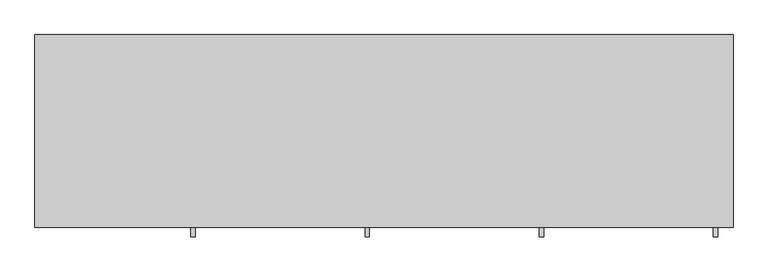
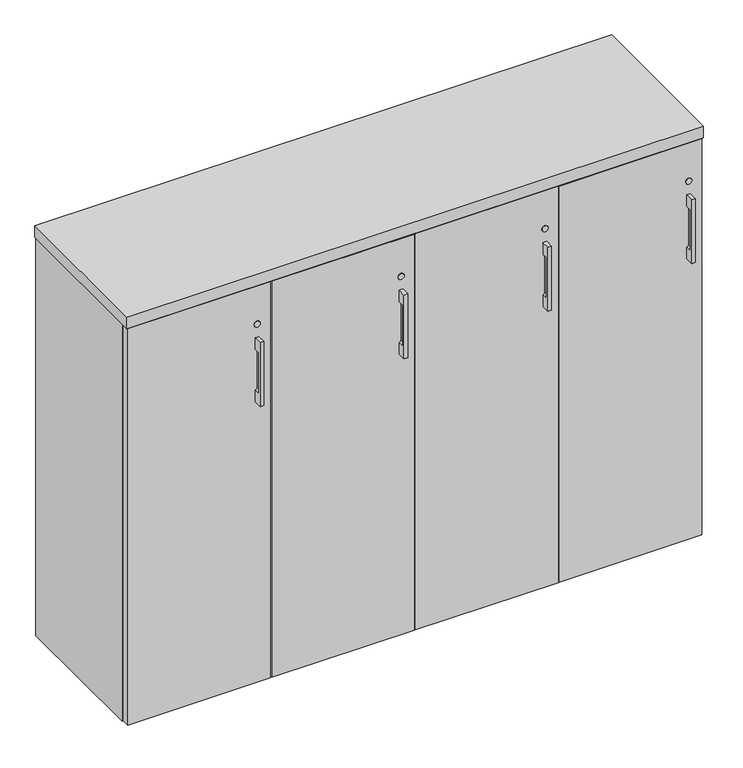
"""IFC4 building model written with IfcOpenShell, lengths in millimetres: furniture geometry."""

import ifcopenshell
import ifcopenshell.guid

model = None  # the IFC model being written
_history = None  # IfcOwnerHistory: only IFC2X3 demands one
_inside = {}  # id of a spatial element -> (the spatial element, [elements in it])
_under = {}  # id of a project, library or spatial element -> (it, [spatial elements below it])
_declared = {}  # id of a project -> (the project, [libraries it declares])
_typed = {}  # id of a type object -> (the type object, [elements of that type])
_made_of = {}  # id of a material, layer set ... -> (it, [elements and type objects made of it])


def new_model(schema):
    """Start an empty IFC model of exactly this schema.

    Asked for "IFC4X3", IfcOpenShell would pick the latest addendum, in which some entities
    have other attributes; the version numbers below select the first issue.
    IFC2X3 requires an IfcOwnerHistory on every rooted entity: one is made here for all.
    """
    global model, _history
    if schema == "IFC4X3":
        model = ifcopenshell.file(schema_version=(4, 3, 0, 0))
    else:
        model = ifcopenshell.file(schema=schema)
    _inside.clear()
    _under.clear()
    _declared.clear()
    _typed.clear()
    _made_of.clear()
    _history = None
    if model.schema == "IFC2X3":
        org = make("IfcOrganization", Name="unknown")
        user = make(
            "IfcPersonAndOrganization",
            ThePerson=make("IfcPerson", FamilyName="unknown"),
            TheOrganization=org,
        )
        app = make(
            "IfcApplication",
            ApplicationDeveloper=org,
            Version="unknown",
            ApplicationFullName="unknown",
            ApplicationIdentifier="unknown",
        )
        _history = make(
            "IfcOwnerHistory",
            OwningUser=user,
            OwningApplication=app,
            ChangeAction="ADDED",
            CreationDate=0,
        )
    return model


def make(cls, **values):
    """One entity of the class cls with the attributes given. An attribute that is None is left unset."""
    return model.create_entity(
        cls, **{name: value for name, value in values.items() if value is not None}
    )


def rooted(cls, **values):
    """An entity with a GlobalId (a new one), such as an element, a storey or a relation."""
    return make(cls, GlobalId=ifcopenshell.guid.new(), OwnerHistory=_history, **values)


def si_unit(unit_type, name, prefix=None):
    """IfcSIUnit, for example si_unit("LENGTHUNIT", "METRE", prefix="MILLI")."""
    return make("IfcSIUnit", UnitType=unit_type, Prefix=prefix, Name=name)


def assignment(units):
    """IfcUnitAssignment: the units of a project."""
    return None if units is None else make("IfcUnitAssignment", Units=units)


def point(xyz):
    """IfcCartesianPoint."""
    return None if xyz is None else make("IfcCartesianPoint", Coordinates=xyz)


def direction(xyz):
    """IfcDirection."""
    return None if xyz is None else make("IfcDirection", DirectionRatios=xyz)


def frame(location, z_axis=None, x_axis=None):
    """IfcAxis2Placement3D, a coordinate frame: its origin and axes. An axis left out is left unset."""
    return make(
        "IfcAxis2Placement3D",
        Location=point(location),
        Axis=direction(z_axis),
        RefDirection=direction(x_axis),
    )


def frame_2d(location, x_axis=None):
    """IfcAxis2Placement2D, a coordinate frame in the plane: its origin and x axis."""
    return make(
        "IfcAxis2Placement2D", Location=point(location), RefDirection=direction(x_axis)
    )


def origin():
    """The frame at (0, 0, 0) with its axes left unset."""
    return frame((0.0, 0.0, 0.0))


def origin_with_axes():
    """The frame at (0, 0, 0) with the z axis (0, 0, 1) and the x axis (1, 0, 0) written out."""
    return frame((0.0, 0.0, 0.0), z_axis=(0.0, 0.0, 1.0), x_axis=(1.0, 0.0, 0.0))


def place(relative_to, where):
    """IfcLocalPlacement: puts the frame where relative to a parent placement (None: the world)."""
    return make(
        "IfcLocalPlacement", PlacementRelTo=relative_to, RelativePlacement=where
    )


def context(
    kind, dimensions, precision=None, world=None, true_north=None, identifier=None
):
    """IfcGeometricRepresentationContext, for example the 3D "Model" context."""
    return make(
        "IfcGeometricRepresentationContext",
        ContextIdentifier=identifier,
        ContextType=kind,
        CoordinateSpaceDimension=dimensions,
        Precision=precision,
        WorldCoordinateSystem=world,
        TrueNorth=true_north,
    )


def project(units=None, contexts=None):
    """IfcProject with its units and contexts."""
    return rooted(
        "IfcProject",
        Name="project",
        RepresentationContexts=contexts,
        UnitsInContext=assignment(units),
    )


def spatial(cls, under=None, at=None, **own):
    """A site, building, storey or space (cls), placed at a placement, below another one or the project."""
    s = rooted(cls, ObjectPlacement=at, **own)
    if under is not None:
        _under.setdefault(under.id(), (under, []))[1].append(s)
    return s


def polyline(points):
    """IfcPolyline through the points."""
    return make("IfcPolyline", Points=[point(p) for p in points])


def circle_curve(where, radius):
    """IfcCircle in the frame where."""
    return make("IfcCircle", Position=where, Radius=radius)


def trimmed(basis, trim1, trim2, sense, master):
    """IfcTrimmedCurve: the piece of a basis curve between two trims."""
    return make(
        "IfcTrimmedCurve",
        BasisCurve=basis,
        Trim1=trim1,
        Trim2=trim2,
        SenseAgreement=sense,
        MasterRepresentation=master,
    )


def segment(curve, same_sense, transition):
    """IfcCompositeCurveSegment."""
    return make(
        "IfcCompositeCurveSegment",
        Transition=transition,
        SameSense=same_sense,
        ParentCurve=curve,
    )


def composite_curve(segments, self_intersect=None):
    """IfcCompositeCurve: segments joined end to end."""
    return make("IfcCompositeCurve", Segments=segments, SelfIntersect=self_intersect)


def outline(outer, holes=None, kind="AREA"):
    """IfcArbitraryClosedProfileDef: a profile drawn as a closed curve; with holes, ...WithVoids."""
    if holes is None:
        return make("IfcArbitraryClosedProfileDef", ProfileType=kind, OuterCurve=outer)
    return make(
        "IfcArbitraryProfileDefWithVoids",
        ProfileType=kind,
        OuterCurve=outer,
        InnerCurves=holes,
    )


def extrude(swept, where, along, depth):
    """IfcExtrudedAreaSolid: the profile swept, set in the frame where, extruded along a direction by depth."""
    return make(
        "IfcExtrudedAreaSolid",
        SweptArea=swept,
        Position=where,
        ExtrudedDirection=direction(along),
        Depth=depth,
    )


def shape(context_of_items, identifier, shape_type, items):
    """IfcShapeRepresentation: the items that make up one representation, for example the "Body"."""
    return make(
        "IfcShapeRepresentation",
        ContextOfItems=context_of_items,
        RepresentationIdentifier=identifier,
        RepresentationType=shape_type,
        Items=items,
    )


def source(mapping_origin, context_of_items, identifier, shape_type, items):
    """IfcRepresentationMap: a shape defined once, which mapped items show again and again."""
    return make(
        "IfcRepresentationMap",
        MappingOrigin=mapping_origin,
        MappedRepresentation=shape(context_of_items, identifier, shape_type, items),
    )


def transform(
    local_origin,
    x_axis=None,
    y_axis=None,
    z_axis=None,
    scale=None,
    scale2=None,
    scale3=None,
    uniform=True,
):
    """IfcCartesianTransformationOperator3D, or its non-uniform kind. x_axis, y_axis, z_axis: its Axis1, 2, 3."""
    if uniform:
        return make(
            "IfcCartesianTransformationOperator3D",
            Axis1=direction(x_axis),
            Axis2=direction(y_axis),
            LocalOrigin=point(local_origin),
            Scale=scale,
            Axis3=direction(z_axis),
        )
    return make(
        "IfcCartesianTransformationOperator3DnonUniform",
        Axis1=direction(x_axis),
        Axis2=direction(y_axis),
        LocalOrigin=point(local_origin),
        Scale=scale,
        Axis3=direction(z_axis),
        Scale2=scale2,
        Scale3=scale3,
    )


def mapped(mapping_source, mapping_target):
    """IfcMappedItem: shows the shape of a source again, moved by a transform."""
    return make(
        "IfcMappedItem", MappingSource=mapping_source, MappingTarget=mapping_target
    )


def made_of(thing, what):
    """Note that an element or type object is made of a material, layer set ...; save() writes the relation."""
    if what is not None:
        _made_of.setdefault(what.id(), (what, []))[1].append(thing)
    return thing


def element(
    cls,
    number,
    at=None,
    inside=None,
    cuts=None,
    type_object=None,
    material=None,
    context=None,
    identifier="Body",
    shape_type=None,
    held_by="IfcProductDefinitionShape",
    body=None,
    shapes=None,
    **own,
):
    """One element of the class cls, such as IfcWall. Its Tag is "e" and its number.

    at: its placement. inside: the storey or other place that contains it. cuts: it is an
    opening in that element (IfcRelVoidsElement). A single representation is given by context,
    identifier, shape_type and body (its items); several are given by shapes. held_by: the class
    of the entity that holds the representations. save() writes the other relations.
    """
    e = rooted(cls, Tag="e%d" % number, ObjectPlacement=at, **own)
    if body is not None:
        shapes = [shape(context, identifier, shape_type, body)]
    if shapes is not None:
        e.Representation = make(held_by, Representations=shapes)
    if inside is not None:
        _inside.setdefault(inside.id(), (inside, []))[1].append(e)
    if cuts is not None:
        rooted(
            "IfcRelVoidsElement", RelatingBuildingElement=cuts, RelatedOpeningElement=e
        )
    if type_object is not None:
        _typed.setdefault(type_object.id(), (type_object, []))[1].append(e)
    return made_of(e, material)


def aggregate(whole, parts):
    """IfcRelAggregates: a whole, such as a stair, and the parts it consists of."""
    return rooted("IfcRelAggregates", RelatingObject=whole, RelatedObjects=parts)


def save(model, path):
    """Write the relations noted so far, then the file.

    IfcRelAggregates (storeys below a building ...), IfcRelContainedInSpatialStructure (elements
    in a storey), IfcRelDefinesByType, IfcRelAssociatesMaterial and IfcRelDeclares: one each for
    every whole, place, type object, material and project.
    """
    for whole, parts in _under.values():
        aggregate(whole, parts)
    for where, things in _inside.values():
        rooted(
            "IfcRelContainedInSpatialStructure",
            RelatedElements=things,
            RelatingStructure=where,
        )
    for kind, things in _typed.values():
        rooted("IfcRelDefinesByType", RelatedObjects=things, RelatingType=kind)
    for what, things in _made_of.values():
        rooted("IfcRelAssociatesMaterial", RelatedObjects=things, RelatingMaterial=what)
    for by, libraries in _declared.values():
        rooted("IfcRelDeclares", RelatingContext=by, RelatedDefinitions=libraries)
    model.write(path)


def plane_surface(at):
    """IfcPlane: the flat surface through the origin of the frame at, square to its z axis."""
    return make("IfcPlane", Position=at)


def revolved_surface(curve, axis_point, axis_direction):
    """IfcSurfaceOfRevolution: the curve turned about the line through axis_point along axis_direction."""
    return make(
        "IfcSurfaceOfRevolution",
        SweptCurve=make("IfcArbitraryOpenProfileDef", ProfileType="CURVE", Curve=curve),
        AxisPosition=make("IfcAxis1Placement", Location=point(axis_point), Axis=direction(axis_direction)),
    )


def advanced_brep(points, edges, surfaces, faces):
    """IfcAdvancedBrep: a solid bounded by faces that lie on surfaces and meet in shared edges.

    An edge is (start, end): straight between two places in points (the first is 0);
    or (start, end, curve); or (start, end, curve, False) where it runs against its curve.
    A face is (place in surfaces, loops), or (place, loops, False) where it looks against
    its surface's normal. A loop lists edges by number (the first is 1), with a minus sign
    where the edge is run from its end to its start. The first loop is the outer one.
    """
    corners = [point(p) for p in points]
    vertices = [make("IfcVertexPoint", VertexGeometry=c) for c in corners]
    made = []
    for start, end, *more in edges:
        made.append(
            make(
                "IfcEdgeCurve",
                EdgeStart=vertices[start],
                EdgeEnd=vertices[end],
                EdgeGeometry=more[0] if more else make("IfcPolyline", Points=[corners[start], corners[end]]),
                SameSense=more[1] if len(more) > 1 else True,
            )
        )
    hull = []
    for where, loops, *sense in faces:
        bounds = []
        for j, loop in enumerate(loops):
            ring = [make("IfcOrientedEdge", EdgeElement=made[abs(k) - 1], Orientation=k > 0) for k in loop]
            bounds.append(
                make(
                    "IfcFaceOuterBound" if j == 0 else "IfcFaceBound",
                    Bound=make("IfcEdgeLoop", EdgeList=ring),
                    Orientation=True,
                )
            )
        hull.append(make("IfcAdvancedFace", Bounds=bounds, FaceSurface=surfaces[where], SameSense=sense[0] if sense else True))
    return make("IfcAdvancedBrep", Outer=make("IfcClosedShell", CfsFaces=hull))


def furniture_df4e4546(model_context):
    return source(origin(), model_context, "Body", "SolidModel", [
        advanced_brep(
        [(338.9312421, -447.8115021, 967.7908), (338.9312421, -447.8115021, 789.9908), (348.4562421, -447.8115021, 789.9908), (348.4562421, -447.8115021, 967.7908), (338.9312421, -425.5865021, 967.7908), (348.4562421, -425.5865021, 967.7908), (348.4562421, -425.5865021, 789.9908), (338.9312421, -425.5865021, 789.9908), (338.9312421, -425.5865021, 821.9424389), (343.6937421, -425.5865021, 828.0908), (343.6937421, -425.5865021, 929.6908), (338.9312421, -425.5865021, 935.8391611), (338.9312421, -441.523499, 935.8391611), (338.9312421, -441.523499, 821.9424389), (343.6937421, -441.523499, 929.6908), (343.6937421, -441.523499, 828.0908)],
        [
            (0, 1),
            (1, 2),
            (2, 3),
            (3, 0),
            (4, 5),
            (5, 6),
            (6, 7),
            (7, 8),
            (8, 9, circle_curve(frame((337.3437421, -425.5865021, 828.0908), z_axis=(0.0, -1.0, 0.0), x_axis=(1.0, 0.0, 0.0)), 6.35)),
            (9, 10),
            (10, 11, circle_curve(frame((337.3437421, -425.5865021, 929.6908), z_axis=(0.0, -1.0, 0.0), x_axis=(1.0, 0.0, 0.0)), 6.35)),
            (11, 4),
            (0, 4),
            (11, 12),
            (12, 13),
            (13, 8),
            (7, 1),
            (6, 2),
            (5, 3),
            (14, 15),
            (15, 13, circle_curve(frame((337.3437421, -441.523499, 828.0908), z_axis=(0.0, 1.0, 0.0), x_axis=(1.0, 0.0, 0.0)), 6.35)),
            (12, 14, circle_curve(frame((337.3437421, -441.523499, 929.6908), z_axis=(0.0, 1.0, 0.0), x_axis=(1.0, 0.0, 0.0)), 6.35)),
            (14, 10),
            (9, 15),
        ],
        [
            plane_surface(frame((338.9312421, -447.8115021, 789.9908), z_axis=(0.0, -1.0, 0.0), x_axis=(0.0, 0.0, -1.0))),
            plane_surface(frame((338.9312421, -425.5865021, 789.9908), z_axis=(0.0, 1.0, 0.0), x_axis=(0.0, 0.0, 1.0))),
            plane_surface(frame((338.9312421, -447.8115021, 967.7908), z_axis=(-1.0, 0.0, 0.0), x_axis=(0.0, 1.0, 0.0))),
            plane_surface(frame((338.9312421, -447.8115021, 789.9908), z_axis=(0.0, 0.0, -1.0), x_axis=(0.0, 1.0, 0.0))),
            plane_surface(frame((348.4562421, -447.8115021, 789.9908), z_axis=(1.0, 0.0, 0.0), x_axis=(0.0, 1.0, 0.0))),
            plane_surface(frame((348.4562421, -447.8115021, 967.7908), z_axis=(0.0, 0.0, 1.0), x_axis=(0.0, 1.0, 0.0))),
            plane_surface(frame((324.6437421, -441.523499, 936.0408), z_axis=(0.0, 1.0, 0.0), x_axis=(-1.0, 0.0, 0.0))),
            plane_surface(frame((343.6937421, -441.523499, 828.0908), z_axis=(-1.0, 0.0, 0.0), x_axis=(0.0, 1.0, 0.0))),
            revolved_surface(polyline([(343.6937421, -441.523499, 828.0908), (343.6937421, -425.5865021, 828.0908)]), (337.3437421, -425.5865021, 828.0908), (0.0, -1.0, 0.0)),
            revolved_surface(polyline([(343.6937421, -441.523499, 929.6908), (343.6937421, -425.5865021, 929.6908)]), (337.3437421, -425.5865021, 929.6908), (0.0, -1.0, 0.0)),
        ],
        [
            (0, [[1, 2, 3, 4]]),
            (1, [[5, 6, 7, 8, 9, 10, 11, 12]]),
            (2, [[-1, 13, -12, 14, 15, 16, -8, 17]]),
            (3, [[-2, -17, -7, 18]]),
            (4, [[-3, -18, -6, 19]]),
            (5, [[-4, -19, -5, -13]]),
            (6, [[20, 21, -15, 22]]),
            (7, [[-20, 23, -10, 24]]),
            (8, [[-24, -9, -16, -21]]),
            (9, [[-23, -22, -14, -11]]),
        ],
    ),
        advanced_brep(
        [(1474.7875158, -447.8115021, 967.7908), (1474.7875158, -447.8115021, 789.9908), (1484.3125158, -447.8115021, 789.9908), (1484.3125158, -447.8115021, 967.7908), (1474.7875158, -425.5865021, 967.7908), (1484.3125158, -425.5865021, 967.7908), (1484.3125158, -425.5865021, 789.9908), (1474.7875158, -425.5865021, 789.9908), (1474.7875158, -425.5865021, 821.9424389), (1479.5500158, -425.5865021, 828.0908), (1479.5500158, -425.5865021, 929.6908), (1474.7875158, -425.5865021, 935.8391611), (1474.7875158, -441.523499, 935.8391611), (1474.7875158, -441.523499, 821.9424389), (1479.5500158, -441.523499, 929.6908), (1479.5500158, -441.523499, 828.0908)],
        [
            (0, 1),
            (1, 2),
            (2, 3),
            (3, 0),
            (4, 5),
            (5, 6),
            (6, 7),
            (7, 8),
            (8, 9, circle_curve(frame((1473.2000158, -425.5865021, 828.0908), z_axis=(0.0, -1.0, 0.0), x_axis=(1.0, 0.0, 0.0)), 6.35)),
            (9, 10),
            (10, 11, circle_curve(frame((1473.2000158, -425.5865021, 929.6908), z_axis=(0.0, -1.0, 0.0), x_axis=(1.0, 0.0, 0.0)), 6.35)),
            (11, 4),
            (0, 4),
            (11, 12),
            (12, 13),
            (13, 8),
            (7, 1),
            (6, 2),
            (5, 3),
            (14, 15),
            (15, 13, circle_curve(frame((1473.2000158, -441.523499, 828.0908), z_axis=(0.0, 1.0, 0.0), x_axis=(1.0, 0.0, 0.0)), 6.35)),
            (12, 14, circle_curve(frame((1473.2000158, -441.523499, 929.6908), z_axis=(0.0, 1.0, 0.0), x_axis=(1.0, 0.0, 0.0)), 6.35)),
            (14, 10),
            (9, 15),
        ],
        [
            plane_surface(frame((1474.7875158, -447.8115021, 789.9908), z_axis=(0.0, -1.0, 0.0), x_axis=(0.0, 0.0, -1.0))),
            plane_surface(frame((1474.7875158, -425.5865021, 789.9908), z_axis=(0.0, 1.0, 0.0), x_axis=(0.0, 0.0, 1.0))),
            plane_surface(frame((1474.7875158, -447.8115021, 967.7908), z_axis=(-1.0, 0.0, 0.0), x_axis=(0.0, 1.0, 0.0))),
            plane_surface(frame((1474.7875158, -447.8115021, 789.9908), z_axis=(0.0, 0.0, -1.0), x_axis=(0.0, 1.0, 0.0))),
            plane_surface(frame((1484.3125158, -447.8115021, 789.9908), z_axis=(1.0, 0.0, 0.0), x_axis=(0.0, 1.0, 0.0))),
            plane_surface(frame((1484.3125158, -447.8115021, 967.7908), z_axis=(0.0, 0.0, 1.0), x_axis=(0.0, 1.0, 0.0))),
            plane_surface(frame((1460.5000158, -441.523499, 936.0408), z_axis=(0.0, 1.0, 0.0), x_axis=(-1.0, 0.0, 0.0))),
            plane_surface(frame((1479.5500158, -441.523499, 828.0908), z_axis=(-1.0, 0.0, 0.0), x_axis=(0.0, 1.0, 0.0))),
            revolved_surface(polyline([(1479.5500158, -441.523499, 828.0908), (1479.5500158, -425.5865021, 828.0908)]), (1473.2000158, -425.5865021, 828.0908), (0.0, -1.0, 0.0)),
            revolved_surface(polyline([(1479.5500158, -441.523499, 929.6908), (1479.5500158, -425.5865021, 929.6908)]), (1473.2000158, -425.5865021, 929.6908), (0.0, -1.0, 0.0)),
        ],
        [
            (0, [[1, 2, 3, 4]]),
            (1, [[5, 6, 7, 8, 9, 10, 11, 12]]),
            (2, [[-1, 13, -12, 14, 15, 16, -8, 17]]),
            (3, [[-2, -17, -7, 18]]),
            (4, [[-3, -18, -6, 19]]),
            (5, [[-4, -19, -5, -13]]),
            (6, [[20, 21, -15, 22]]),
            (7, [[-20, 23, -10, 24]]),
            (8, [[-24, -9, -16, -21]]),
            (9, [[-23, -22, -14, -11]]),
        ],
    ),
        advanced_brep(
        [(1096.1687579, -447.8115021, 967.7908), (1096.1687579, -447.8115021, 789.9908), (1105.6937579, -447.8115021, 789.9908), (1105.6937579, -447.8115021, 967.7908), (1096.1687579, -425.5865021, 967.7908), (1105.6937579, -425.5865021, 967.7908), (1105.6937579, -425.5865021, 789.9908), (1096.1687579, -425.5865021, 789.9908), (1096.1687579, -425.5865021, 821.9424389), (1100.9312579, -425.5865021, 828.0908), (1100.9312579, -425.5865021, 929.6908), (1096.1687579, -425.5865021, 935.8391611), (1096.1687579, -441.523499, 935.8391611), (1096.1687579, -441.523499, 821.9424389), (1100.9312579, -441.523499, 929.6908), (1100.9312579, -441.523499, 828.0908)],
        [
            (0, 1),
            (1, 2),
            (2, 3),
            (3, 0),
            (4, 5),
            (5, 6),
            (6, 7),
            (7, 8),
            (8, 9, circle_curve(frame((1094.5812579, -425.5865021, 828.0908), z_axis=(0.0, -1.0, 0.0), x_axis=(1.0, 0.0, 0.0)), 6.35)),
            (9, 10),
            (10, 11, circle_curve(frame((1094.5812579, -425.5865021, 929.6908), z_axis=(0.0, -1.0, 0.0), x_axis=(1.0, 0.0, 0.0)), 6.35)),
            (11, 4),
            (0, 4),
            (11, 12),
            (12, 13),
            (13, 8),
            (7, 1),
            (6, 2),
            (5, 3),
            (14, 15),
            (15, 13, circle_curve(frame((1094.5812579, -441.523499, 828.0908), z_axis=(0.0, 1.0, 0.0), x_axis=(1.0, 0.0, 0.0)), 6.35)),
            (12, 14, circle_curve(frame((1094.5812579, -441.523499, 929.6908), z_axis=(0.0, 1.0, 0.0), x_axis=(1.0, 0.0, 0.0)), 6.35)),
            (14, 10),
            (9, 15),
        ],
        [
            plane_surface(frame((1096.1687579, -447.8115021, 789.9908), z_axis=(0.0, -1.0, 0.0), x_axis=(0.0, 0.0, -1.0))),
            plane_surface(frame((1096.1687579, -425.5865021, 789.9908), z_axis=(0.0, 1.0, 0.0), x_axis=(0.0, 0.0, 1.0))),
            plane_surface(frame((1096.1687579, -447.8115021, 967.7908), z_axis=(-1.0, 0.0, 0.0), x_axis=(0.0, 1.0, 0.0))),
            plane_surface(frame((1096.1687579, -447.8115021, 789.9908), z_axis=(0.0, 0.0, -1.0), x_axis=(0.0, 1.0, 0.0))),
            plane_surface(frame((1105.6937579, -447.8115021, 789.9908), z_axis=(1.0, 0.0, 0.0), x_axis=(0.0, 1.0, 0.0))),
            plane_surface(frame((1105.6937579, -447.8115021, 967.7908), z_axis=(0.0, 0.0, 1.0), x_axis=(0.0, 1.0, 0.0))),
            plane_surface(frame((1081.8812579, -441.523499, 936.0408), z_axis=(0.0, 1.0, 0.0), x_axis=(-1.0, 0.0, 0.0))),
            plane_surface(frame((1100.9312579, -441.523499, 828.0908), z_axis=(-1.0, 0.0, 0.0), x_axis=(0.0, 1.0, 0.0))),
            revolved_surface(polyline([(1100.9312579, -441.523499, 828.0908), (1100.9312579, -425.5865021, 828.0908)]), (1094.5812579, -425.5865021, 828.0908), (0.0, -1.0, 0.0)),
            revolved_surface(polyline([(1100.9312579, -441.523499, 929.6908), (1100.9312579, -425.5865021, 929.6908)]), (1094.5812579, -425.5865021, 929.6908), (0.0, -1.0, 0.0)),
        ],
        [
            (0, [[1, 2, 3, 4]]),
            (1, [[5, 6, 7, 8, 9, 10, 11, 12]]),
            (2, [[-1, 13, -12, 14, 15, 16, -8, 17]]),
            (3, [[-2, -17, -7, 18]]),
            (4, [[-3, -18, -6, 19]]),
            (5, [[-4, -19, -5, -13]]),
            (6, [[20, 21, -15, 22]]),
            (7, [[-20, 23, -10, 24]]),
            (8, [[-24, -9, -16, -21]]),
            (9, [[-23, -22, -14, -11]]),
        ],
    ),
        advanced_brep(
        [(717.55, -447.8115021, 967.7908), (717.55, -447.8115021, 789.9908), (727.075, -447.8115021, 789.9908), (727.075, -447.8115021, 967.7908), (717.55, -425.5865021, 967.7908), (727.075, -425.5865021, 967.7908), (727.075, -425.5865021, 789.9908), (717.55, -425.5865021, 789.9908), (717.55, -425.5865021, 821.9424389), (722.3125, -425.5865021, 828.0908), (722.3125, -425.5865021, 929.6908), (717.55, -425.5865021, 935.8391611), (717.55, -441.523499, 935.8391611), (717.55, -441.523499, 821.9424389), (722.3125, -441.523499, 929.6908), (722.3125, -441.523499, 828.0908)],
        [
            (0, 1),
            (1, 2),
            (2, 3),
            (3, 0),
            (4, 5),
            (5, 6),
            (6, 7),
            (7, 8),
            (8, 9, circle_curve(frame((715.9625, -425.5865021, 828.0908), z_axis=(0.0, -1.0, 0.0), x_axis=(1.0, 0.0, 0.0)), 6.35)),
            (9, 10),
            (10, 11, circle_curve(frame((715.9625, -425.5865021, 929.6908), z_axis=(0.0, -1.0, 0.0), x_axis=(1.0, 0.0, 0.0)), 6.35)),
            (11, 4),
            (0, 4),
            (11, 12),
            (12, 13),
            (13, 8),
            (7, 1),
            (6, 2),
            (5, 3),
            (14, 15),
            (15, 13, circle_curve(frame((715.9625, -441.523499, 828.0908), z_axis=(0.0, 1.0, 0.0), x_axis=(1.0, 0.0, 0.0)), 6.35)),
            (12, 14, circle_curve(frame((715.9625, -441.523499, 929.6908), z_axis=(0.0, 1.0, 0.0), x_axis=(1.0, 0.0, 0.0)), 6.35)),
            (14, 10),
            (9, 15),
        ],
        [
            plane_surface(frame((717.55, -447.8115021, 789.9908), z_axis=(0.0, -1.0, 0.0), x_axis=(0.0, 0.0, -1.0))),
            plane_surface(frame((717.55, -425.5865021, 789.9908), z_axis=(0.0, 1.0, 0.0), x_axis=(0.0, 0.0, 1.0))),
            plane_surface(frame((717.55, -447.8115021, 967.7908), z_axis=(-1.0, 0.0, 0.0), x_axis=(0.0, 1.0, 0.0))),
            plane_surface(frame((717.55, -447.8115021, 789.9908), z_axis=(0.0, 0.0, -1.0), x_axis=(0.0, 1.0, 0.0))),
            plane_surface(frame((727.075, -447.8115021, 789.9908), z_axis=(1.0, 0.0, 0.0), x_axis=(0.0, 1.0, 0.0))),
            plane_surface(frame((727.075, -447.8115021, 967.7908), z_axis=(0.0, 0.0, 1.0), x_axis=(0.0, 1.0, 0.0))),
            plane_surface(frame((703.2625, -441.523499, 936.0408), z_axis=(0.0, 1.0, 0.0), x_axis=(-1.0, 0.0, 0.0))),
            plane_surface(frame((722.3125, -441.523499, 828.0908), z_axis=(-1.0, 0.0, 0.0), x_axis=(0.0, 1.0, 0.0))),
            revolved_surface(polyline([(722.3125, -441.523499, 828.0908), (722.3125, -425.5865021, 828.0908)]), (715.9625, -425.5865021, 828.0908), (0.0, -1.0, 0.0)),
            revolved_surface(polyline([(722.3125, -441.523499, 929.6908), (722.3125, -425.5865021, 929.6908)]), (715.9625, -425.5865021, 929.6908), (0.0, -1.0, 0.0)),
        ],
        [
            (0, [[1, 2, 3, 4]]),
            (1, [[5, 6, 7, 8, 9, 10, 11, 12]]),
            (2, [[-1, 13, -12, 14, 15, 16, -8, 17]]),
            (3, [[-2, -17, -7, 18]]),
            (4, [[-3, -18, -6, 19]]),
            (5, [[-4, -19, -5, -13]]),
            (6, [[20, 21, -15, 22]]),
            (7, [[-20, 23, -10, 24]]),
            (8, [[-24, -9, -16, -21]]),
            (9, [[-23, -22, -14, -11]]),
        ],
    ),
        extrude(outline(polyline([(1455.3192181, -345.6312472), (1471.2670759, -336.4237472), (1487.2149337, -345.6312472), (1487.2149337, -364.0462472), (1471.2670759, -373.2537472), (1455.3192181, -364.0462472), (1455.3192181, -345.6312472)])), origin_with_axes(), (0.0, 0.0, 1.0), 9.144),
        extrude(outline(polyline([(1455.3192181, -47.1181713), (1471.2670759, -37.9106713), (1487.2149337, -47.1181713), (1487.2149337, -65.5331713), (1471.2670759, -74.7406713), (1455.3192181, -65.5331713), (1455.3192181, -47.1181713)])), origin_with_axes(), (0.0, 0.0, 1.0), 9.144),
        extrude(outline(polyline([(30.4350663, -345.6312472), (46.3829241, -336.4237472), (62.3307819, -345.6312472), (62.3307819, -364.0462472), (46.3829241, -373.2537472), (30.4350663, -364.0462472), (30.4350663, -345.6312472)])), origin_with_axes(), (0.0, 0.0, 1.0), 9.144),
        extrude(outline(polyline([(30.4350663, -47.1181713), (46.3829241, -37.9106713), (62.3307819, -47.1181713), (62.3307819, -65.5331713), (46.3829241, -74.7406713), (30.4350663, -65.5331713), (30.4350663, -47.1181713)])), origin_with_axes(), (0.0, 0.0, 1.0), 9.144),
        extrude(outline(polyline([(739.5210079, -30.4938704), (758.8250079, -30.4938704), (758.8250079, -401.5835036), (739.5210079, -401.5835036), (739.5210079, -30.4938704)])), frame((0.0, 0.0, 79.57058), z_axis=(0.0, 0.0, 1.0), x_axis=(1.0, 0.0, 0.0)), (0.0, 0.0, 1.0), 1033.50822),
        extrude(outline(polyline([(1118.1397579, -30.4938704), (1137.4437579, -30.4938704), (1137.4437579, -401.5835036), (1118.1397579, -401.5835036), (1118.1397579, -30.4938704)])), frame((0.0, 0.0, 79.57058), z_axis=(0.0, 0.0, 1.0), x_axis=(1.0, 0.0, 0.0)), (0.0, 0.0, 1.0), 1033.50822),
        extrude(outline(polyline([(380.2062421, -30.4938704), (380.2062421, -401.5835036), (360.9022421, -401.5835036), (360.9022421, -30.4938704), (380.2062421, -30.4938704)])), frame((0.0, 0.0, 79.57058), z_axis=(0.0, 0.0, 1.0), x_axis=(1.0, 0.0, 0.0)), (0.0, 0.0, 1.0), 1033.50822),
        extrude(outline(polyline([(1496.7585154, -11.1898712), (1496.7585154, -30.4938704), (20.8915005, -30.4938704), (20.8915005, -11.1898712), (1496.7585154, -11.1898712)])), frame((0.0, 0.0, 4.699), z_axis=(0.0, 0.0, 1.0), x_axis=(1.0, 0.0, 0.0)), (0.0, 0.0, 1.0), 1108.3798),
        extrude(outline(polyline([(20.8915005, -9.6658713), (20.8915005, -403.1075021), (1.5874842, -403.1075021), (1.5874842, -9.6658713), (20.8915005, -9.6658713)])), frame((0.0, 0.0, 4.699), z_axis=(0.0, 0.0, 1.0), x_axis=(1.0, 0.0, 0.0)), (0.0, 0.0, 1.0), 1108.3798),
        extrude(outline(polyline([(1496.7585154, -9.6658713), (1516.0625158, -9.6658713), (1516.0625158, -403.1075021), (1496.7585154, -403.1075021), (1496.7585154, -9.6658713)])), frame((0.0, 0.0, 4.699), z_axis=(0.0, 0.0, 1.0), x_axis=(1.0, 0.0, 0.0)), (0.0, 0.0, 1.0), 1108.3798),
        extrude(outline(polyline([(778.1290079, -30.4938704), (778.1290079, -401.5835036), (758.8250079, -401.5835036), (758.8250079, -30.4938704), (778.1290079, -30.4938704)])), frame((0.0, 0.0, 79.57058), z_axis=(0.0, 0.0, 1.0), x_axis=(1.0, 0.0, 0.0)), (0.0, 0.0, 1.0), 1033.50822),
        extrude(outline(polyline([(380.2062421, -30.4938704), (399.5102421, -30.4938704), (399.5102421, -401.5835036), (380.2062421, -401.5835036), (380.2062421, -30.4938704)])), frame((0.0, 0.0, 79.57058), z_axis=(0.0, 0.0, 1.0), x_axis=(1.0, 0.0, 0.0)), (0.0, 0.0, 1.0), 1033.50822),
        extrude(outline(polyline([(1156.7477579, -30.4938704), (1156.7477579, -401.5835036), (1137.4437579, -401.5835036), (1137.4437579, -30.4938704), (1156.7477579, -30.4938704)])), frame((0.0, 0.0, 79.57058), z_axis=(0.0, 0.0, 1.0), x_axis=(1.0, 0.0, 0.0)), (0.0, 0.0, 1.0), 1033.50822),
        extrude(outline(polyline([(1496.7585154, -30.4938704), (1496.7585154, -402.7264934), (20.8915005, -402.7264934), (20.8915005, -30.4938704), (1496.7585154, -30.4938704)])), frame((0.0, 0.0, 1093.7748), z_axis=(0.0, 0.0, 1.0), x_axis=(1.0, 0.0, 0.0)), (0.0, 0.0, 1.0), 19.304),
        extrude(outline(polyline([(1517.65, -8.0783713), (1517.65, -427.1783713), (0.0, -427.1783713), (0.0, -8.0783713), (1517.65, -8.0783713)])), frame((0.0, 0.0, 1113.0788031), z_axis=(0.0, 0.0, 1.0), x_axis=(1.0, 0.0, 0.0)), (0.0, 0.0, 1.0), 31.7499969),
        extrude(outline(polyline([(1496.7585154, -30.4938704), (1496.7585154, -402.7264934), (20.8915005, -402.7264934), (20.8915005, -30.4938704), (1496.7585154, -30.4938704)])), frame((0.0, 0.0, 60.26658), z_axis=(0.0, 0.0, 1.0), x_axis=(1.0, 0.0, 0.0)), (0.0, 0.0, 1.0), 19.304),
        extrude(outline(polyline([(1496.7585154, -401.5835036), (20.8915005, -401.5835036), (20.8915005, -382.2795036), (1496.7585154, -382.2795036), (1496.7585154, -401.5835036)])), frame((0.0, 0.0, 4.699), z_axis=(0.0, 0.0, 1.0), x_axis=(1.0, 0.0, 0.0)), (0.0, 0.0, 1.0), 55.56758),
        extrude(outline(composite_curve([segment(trimmed(circle_curve(frame_2d((1005.1288, 343.6937421)), 8.001), [point((1005.1288, 335.6927421))], [point((1005.1288, 351.6947421))], False, "CARTESIAN"), True, "CONTINUOUS"), segment(trimmed(circle_curve(frame_2d((1005.1288, 343.6937421)), 8.001), [point((1005.1288, 351.6947421))], [point((1005.1288, 335.6927421))], False, "CARTESIAN"), True, "CONTINUOUS")], self_intersect=False)), frame((0.0, -427.1783713, 0.0), z_axis=(0.0, 1.0, 0.0), x_axis=(0.0, 0.0, 1.0)), (0.0, 0.0, 1.0), 1.5918692),
        extrude(outline(composite_curve([segment(trimmed(circle_curve(frame_2d((1005.1288, 722.3125)), 8.001), [point((1005.1288, 714.3115))], [point((1005.1288, 730.3135))], False, "CARTESIAN"), True, "CONTINUOUS"), segment(trimmed(circle_curve(frame_2d((1005.1288, 722.3125)), 8.001), [point((1005.1288, 730.3135))], [point((1005.1288, 714.3115))], False, "CARTESIAN"), True, "CONTINUOUS")], self_intersect=False)), frame((0.0, -427.1783713, 0.0), z_axis=(0.0, 1.0, 0.0), x_axis=(0.0, 0.0, 1.0)), (0.0, 0.0, 1.0), 1.5918692),
        extrude(outline(composite_curve([segment(trimmed(circle_curve(frame_2d((1005.1288, 1100.9312579)), 8.001), [point((1005.1288, 1092.9302579))], [point((1005.1288, 1108.9322579))], False, "CARTESIAN"), True, "CONTINUOUS"), segment(trimmed(circle_curve(frame_2d((1005.1288, 1100.9312579)), 8.001), [point((1005.1288, 1108.9322579))], [point((1005.1288, 1092.9302579))], False, "CARTESIAN"), True, "CONTINUOUS")], self_intersect=False)), frame((0.0, -427.1783713, 0.0), z_axis=(0.0, 1.0, 0.0), x_axis=(0.0, 0.0, 1.0)), (0.0, 0.0, 1.0), 1.5918692),
        extrude(outline(composite_curve([segment(trimmed(circle_curve(frame_2d((1005.1288, 1479.5500158)), 8.001), [point((1005.1288, 1471.5490158))], [point((1005.1288, 1487.5510158))], False, "CARTESIAN"), True, "CONTINUOUS"), segment(trimmed(circle_curve(frame_2d((1005.1288, 1479.5500158)), 8.001), [point((1005.1288, 1487.5510158))], [point((1005.1288, 1471.5490158))], False, "CARTESIAN"), True, "CONTINUOUS")], self_intersect=False)), frame((0.0, -427.1783713, 0.0), z_axis=(0.0, 1.0, 0.0), x_axis=(0.0, 0.0, 1.0)), (0.0, 0.0, 1.0), 1.5918692),
        extrude(outline(polyline([(378.6187421, -425.5865021), (3.175, -425.5865021), (3.175, -406.2825021), (378.6187421, -406.2825021), (378.6187421, -425.5865021)])), frame((0.0, 0.0, 7.874), z_axis=(0.0, 0.0, 1.0), x_axis=(1.0, 0.0, 0.0)), (0.0, 0.0, 1.0), 1102.0298152),
        extrude(outline(polyline([(757.2375, -425.5865021), (381.7937421, -425.5865021), (381.7937421, -406.2825021), (757.2375, -406.2825021), (757.2375, -425.5865021)])), frame((0.0, 0.0, 7.874), z_axis=(0.0, 0.0, 1.0), x_axis=(1.0, 0.0, 0.0)), (0.0, 0.0, 1.0), 1102.0298152),
        extrude(outline(polyline([(1135.8562579, -425.5865021), (760.4125, -425.5865021), (760.4125, -406.2825021), (1135.8562579, -406.2825021), (1135.8562579, -425.5865021)])), frame((0.0, 0.0, 7.874), z_axis=(0.0, 0.0, 1.0), x_axis=(1.0, 0.0, 0.0)), (0.0, 0.0, 1.0), 1102.0298152),
        extrude(outline(polyline([(1514.4750158, -425.5865021), (1139.0312579, -425.5865021), (1139.0312579, -406.2825021), (1514.4750158, -406.2825021), (1514.4750158, -425.5865021)])), frame((0.0, 0.0, 7.874), z_axis=(0.0, 0.0, 1.0), x_axis=(1.0, 0.0, 0.0)), (0.0, 0.0, 1.0), 1102.0298152),
    ])


if __name__ == "__main__":
    model = new_model("IFC4")
    model_context = context("Model", 3, world=origin())
    ifc_project = project(units=[si_unit("LENGTHUNIT", "METRE", prefix="MILLI")], contexts=[model_context])
    site = spatial("IfcSite", under=ifc_project)
    building = spatial("IfcBuilding", under=site)
    placement = place(None, origin())
    furniture_shape = furniture_df4e4546(model_context)
    element("IfcFurniture", 1, at=placement, inside=building, context=model_context, shape_type="MappedRepresentation", body=[
        mapped(furniture_shape, transform((0.0, 0.0, 0.0), x_axis=(1.0, 0.0, 0.0), y_axis=(0.0, 1.0, 0.0), z_axis=(0.0, 0.0, 1.0))),
    ])
    save(model, "model.ifc")
